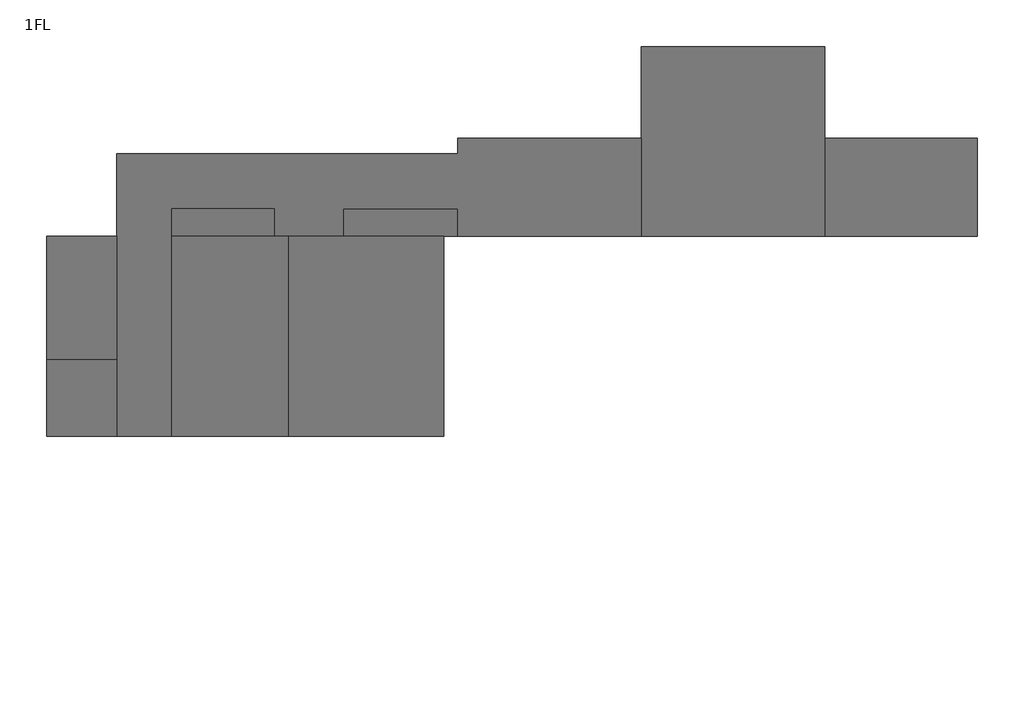
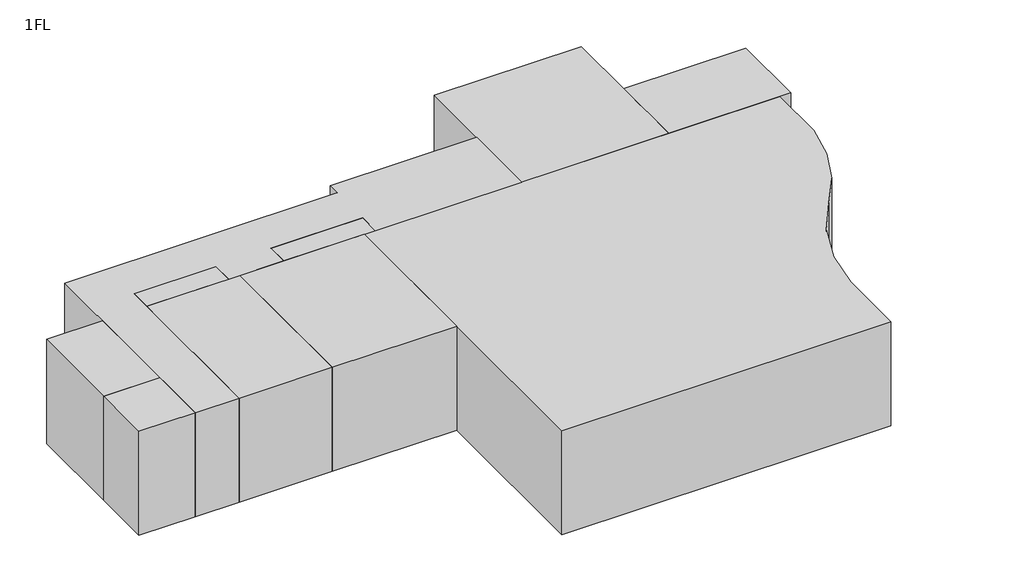
# One storey: 10 proxies.
"""IFC4 building model written with IfcOpenShell, lengths in millimetres."""

from ifc_helpers import new_model, si_unit, point, frame, frame_2d, origin, place, context, project, spatial, polyline, circle_curve, trimmed, segment, composite_curve, outline, extrude, element, save

model = new_model("IFC4")

# Units and contexts
model_context = context("Model", 3, world=origin())
ifc_project = project(units=[si_unit("LENGTHUNIT", "METRE", prefix="MILLI")], contexts=[model_context])

# Site, building, storey
site = spatial("IfcSite", under=ifc_project)
building = spatial("IfcBuilding", under=site)
storey = spatial("IfcBuildingStorey", under=building, Name="1FL", Elevation=100.0)

# Proxies
placement = place(None, origin())
element("IfcBuildingElementProxy", 1, Name="Mass", at=placement, inside=storey, context=model_context, shape_type="SweptSolid", body=[
    extrude(outline(composite_curve([segment(trimmed(circle_curve(frame_2d((-6791.8966309, 8990.8329601)), 8000.0), [point((1154.0215975, 8062.1868987))], [point((-620.9784025, 3899.6868987))], False, "CARTESIAN"), True, "CONTINUOUS"), segment(trimmed(circle_curve(frame_2d((5592.648201, -1139.2459677)), 8000.0), [point((-620.9784025, 3899.6868987))], [point((-2395.9784025, -712.8131013))], True, "CARTESIAN"), True, "CONTINUOUS"), segment(polyline([(-2395.9784025, -712.8131013), (-2395.9784025, -3550.3131013), (-15845.9784025, -3550.3131013), (-15845.9784025, 10449.6868987), (1154.0215975, 10449.6868987), (1154.0215975, 8062.1868987)]), True, "CONTINUOUS")], self_intersect=False)), frame((0.0, 0.0, 100.0), z_axis=(0.0, 0.0, 1.0), x_axis=(1.0, 0.0, 0.0)), (0.0, 0.0, 1.0), 4500.0),
])
element("IfcBuildingElementProxy", 2, Name="Mass", at=placement, inside=storey, context=model_context, shape_type="SweptSolid", body=[
    extrude(outline(polyline([(-3395.9784025, 16649.6868987), (-3395.9784025, 10449.6868987), (-9395.9784025, 10449.6868987), (-9395.9784025, 16649.6868987), (-3395.9784025, 16649.6868987)])), frame((0.0, 0.0, 100.0), z_axis=(0.0, 0.0, 1.0), x_axis=(1.0, 0.0, 0.0)), (0.0, 0.0, 1.0), 4500.0),
])
element("IfcBuildingElementProxy", 3, Name="Mass", at=placement, inside=storey, context=model_context, shape_type="SweptSolid", body=[
    extrude(outline(polyline([(1604.0215975, 13649.6868987), (1604.0215975, 10449.6868987), (-3395.9784025, 10449.6868987), (-3395.9784025, 13649.6868987), (1604.0215975, 13649.6868987)])), frame((0.0, 0.0, 100.0), z_axis=(0.0, 0.0, 1.0), x_axis=(1.0, 0.0, 0.0)), (0.0, 0.0, 1.0), 4500.0),
])
element("IfcBuildingElementProxy", 4, Name="Mass", at=placement, inside=storey, context=model_context, shape_type="SweptSolid", body=[
    extrude(outline(polyline([(-15845.9784025, 10449.6868987), (-15845.9784025, 3899.6868987), (-20945.9784025, 3899.6868987), (-20945.9784025, 10449.6868987), (-15845.9784025, 10449.6868987)])), frame((0.0, 0.0, 100.0), z_axis=(0.0, 0.0, 1.0), x_axis=(1.0, 0.0, 0.0)), (0.0, 0.0, 1.0), 4500.0),
])
element("IfcBuildingElementProxy", 5, Name="Mass", at=placement, inside=storey, context=model_context, shape_type="SweptSolid", body=[
    extrude(outline(polyline([(-20945.9784025, 10449.6868987), (-20945.9784025, 3899.6868987), (-24745.9784025, 3899.6868987), (-24745.9784025, 10449.6868987), (-20945.9784025, 10449.6868987)])), frame((0.0, 0.0, 100.0), z_axis=(0.0, 0.0, 1.0), x_axis=(1.0, 0.0, 0.0)), (0.0, 0.0, 1.0), 4500.0),
])
element("IfcBuildingElementProxy", 6, Name="Mass", at=placement, inside=storey, context=model_context, shape_type="SweptSolid", body=[
    extrude(outline(polyline([(-26545.9784025, 6399.6868987), (-26545.9784025, 3899.6868987), (-28845.9784025, 3899.6868987), (-28845.9784025, 6399.6868987), (-26545.9784025, 6399.6868987)])), frame((0.0, 0.0, 100.0), z_axis=(0.0, 0.0, 1.0), x_axis=(1.0, 0.0, 0.0)), (0.0, 0.0, 1.0), 4500.0),
])
element("IfcBuildingElementProxy", 7, Name="Mass", at=placement, inside=storey, context=model_context, shape_type="SweptSolid", body=[
    extrude(outline(polyline([(-26545.9784025, 10449.6868987), (-26545.9784025, 6399.6868987), (-28845.9784025, 6399.6868987), (-28845.9784025, 10449.6868987), (-26545.9784025, 10449.6868987)])), frame((0.0, 0.0, 100.0), z_axis=(0.0, 0.0, 1.0), x_axis=(1.0, 0.0, 0.0)), (0.0, 0.0, 1.0), 4500.0),
])
element("IfcBuildingElementProxy", 8, Name="Mass", at=placement, inside=storey, context=model_context, shape_type="SweptSolid", body=[
    extrude(outline(polyline([(-21395.9784025, 11349.6868987), (-21395.9784025, 10449.6868987), (-24745.9784025, 10449.6868987), (-24745.9784025, 11349.6868987), (-21395.9784025, 11349.6868987)])), frame((0.0, 0.0, 100.0), z_axis=(0.0, 0.0, 1.0), x_axis=(1.0, 0.0, 0.0)), (0.0, 0.0, 1.0), 4500.0),
])
element("IfcBuildingElementProxy", 9, Name="Mass", at=placement, inside=storey, context=model_context, shape_type="SweptSolid", body=[
    extrude(outline(polyline([(-15395.9784025, 11349.6868987), (-15395.9784025, 10449.6868987), (-19145.9784025, 10449.6868987), (-19145.9784025, 11349.6868987), (-15395.9784025, 11349.6868987)])), frame((0.0, 0.0, 100.0), z_axis=(0.0, 0.0, 1.0), x_axis=(1.0, 0.0, 0.0)), (0.0, 0.0, 1.0), 4500.0),
])
element("IfcBuildingElementProxy", 10, Name="Mass", at=placement, inside=storey, context=model_context, shape_type="SweptSolid", body=[
    extrude(outline(polyline([(-15395.9784025, 13149.6868987), (-15395.9784025, 13649.6868987), (-9395.9784025, 13649.6868987), (-9395.9784025, 10449.6868987), (-15395.9784025, 10449.6868987), (-15395.9784025, 11349.6868987), (-19145.9784025, 11349.6868987), (-19145.9784025, 10449.6868987), (-21395.9784025, 10449.6868987), (-21395.9784025, 11349.6868987), (-24745.9784025, 11349.6868987), (-24745.9784025, 3899.6868987), (-26545.9784025, 3899.6868987), (-26545.9784025, 13149.6868987), (-20945.9784025, 13149.6868987), (-15395.9784025, 13149.6868987)])), frame((0.0, 0.0, 100.0), z_axis=(0.0, 0.0, 1.0), x_axis=(1.0, 0.0, 0.0)), (0.0, 0.0, 1.0), 4500.0),
])

save(model, "model.ifc")
